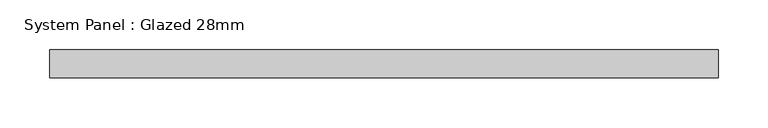
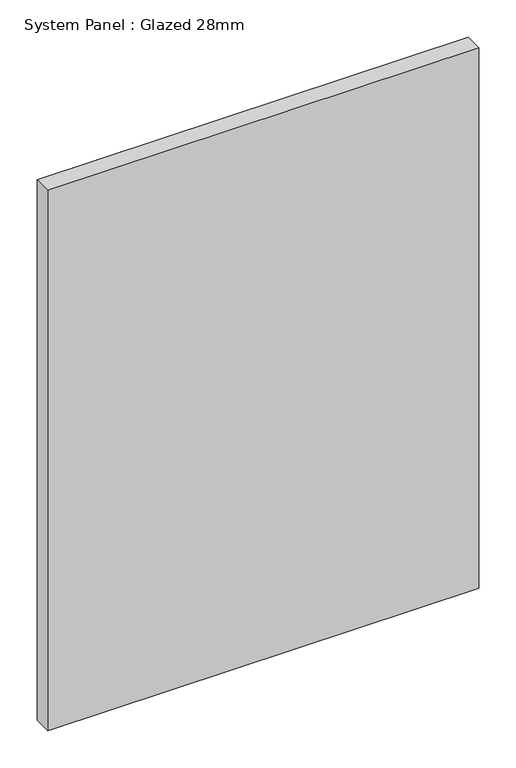
"""IFC4 building model written with IfcOpenShell, lengths in millimetres: plate geometry, System Panel : Glazed 28mm."""

from ifc_helpers import new_model, si_unit, origin, origin_with_axes, place, context, project, spatial, polyline, outline, extrude, source, transform, mapped, element, save


def system_panel_glazed_28mm_77083dc8(model_context):
    return source(origin(), model_context, "Body", "SweptSolid", [
        extrude(outline(polyline([(334.8301869, -14.0), (-334.8301869, -14.0), (-334.8301869, 14.0), (334.8301869, 14.0), (334.8301869, -14.0)])), origin_with_axes(), (0.0, 0.0, 1.0), 887.6852275),
    ])


if __name__ == "__main__":
    model = new_model("IFC4")
    model_context = context("Model", 3, world=origin())
    ifc_project = project(units=[si_unit("LENGTHUNIT", "METRE", prefix="MILLI")], contexts=[model_context])
    site = spatial("IfcSite", under=ifc_project)
    building = spatial("IfcBuilding", under=site)
    placement = place(None, origin())
    system_panel_glazed_28mm_shape = system_panel_glazed_28mm_77083dc8(model_context)
    element("IfcPlate", 1, ObjectType="System Panel : Glazed 28mm", at=placement, inside=building, context=model_context, shape_type="MappedRepresentation", body=[
        mapped(system_panel_glazed_28mm_shape, transform((0.0, 0.0, 0.0), x_axis=(1.0, 0.0, 0.0), y_axis=(0.0, 1.0, 0.0), z_axis=(0.0, 0.0, 1.0))),
    ])
    save(model, "model.ifc")
